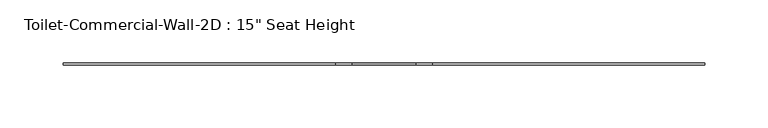
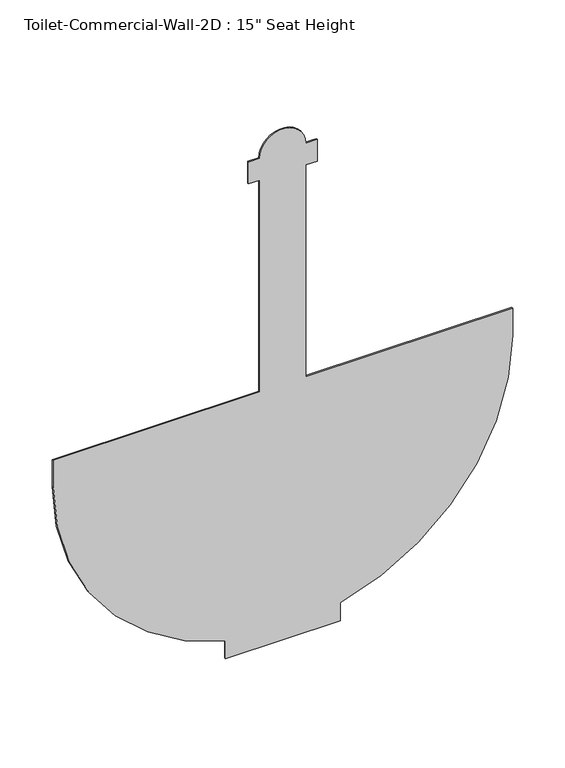
"""IFC4 building model written with IfcOpenShell, lengths in millimetres: flow terminal geometry."""

from ifc_helpers import new_model, si_unit, point, frame, frame_2d, origin, place, context, project, spatial, polyline, circle_curve, trimmed, segment, composite_curve, outline, extrude, source, transform, mapped, element, save


def flow_terminal_cf8aa2b4(model_context):
    return source(origin(), model_context, "Body", "SweptSolid", [
        extrude(outline(composite_curve([segment(trimmed(circle_curve(frame_2d((342.9, 404.9031538)), 254.0), [point((96.9655575, 468.4031538))], [point((342.9, 658.9031538))], False, "CARTESIAN"), True, "CONTINUOUS"), segment(polyline([(342.9, 658.9031538), (374.65, 658.9031538), (374.65, 430.3031538), (622.3, 430.3031538), (622.3, 443.0031538), (647.7, 443.0031538), (647.7, 430.3031538)]), True, "CONTINUOUS"), segment(trimmed(circle_curve(frame_2d((647.7, 404.9031538)), 25.4), [point((647.7, 430.3031538))], [point((647.7, 379.5031538))], False, "CARTESIAN"), True, "CONTINUOUS"), segment(polyline([(647.7, 379.5031538), (647.7, 366.8031538), (622.3, 366.8031538), (622.3, 379.5031538), (374.65, 379.5031538), (374.65, 150.9031538), (342.9, 150.9031538)]), True, "CONTINUOUS"), segment(trimmed(circle_curve(frame_2d((342.9, 404.9031538)), 254.0), [point((342.9, 150.9031538))], [point((96.9655575, 341.4031538))], False, "CARTESIAN"), True, "CONTINUOUS"), segment(polyline([(96.9655575, 341.4031538), (76.2, 341.4031538), (76.2, 468.4031538), (96.9655575, 468.4031538)]), True, "CONTINUOUS")], self_intersect=False)), frame((0.0, 176.2125, 0.0), z_axis=(0.0, 1.0, 0.0), x_axis=(0.0, 0.0, 1.0)), (0.0, 0.0, 1.0), 1.5875),
    ])


if __name__ == "__main__":
    model = new_model("IFC4")
    model_context = context("Model", 3, world=origin())
    ifc_project = project(units=[si_unit("LENGTHUNIT", "METRE", prefix="MILLI")], contexts=[model_context])
    site = spatial("IfcSite", under=ifc_project)
    building = spatial("IfcBuilding", under=site)
    placement = place(None, origin())
    flow_terminal_shape = flow_terminal_cf8aa2b4(model_context)
    element("IfcFlowTerminal", 1, ObjectType="Toilet-Commercial-Wall-2D : 15\" Seat Height", at=placement, inside=building, context=model_context, shape_type="MappedRepresentation", body=[
        mapped(flow_terminal_shape, transform((0.0, 0.0, 0.0), x_axis=(1.0, 0.0, 0.0), y_axis=(0.0, 1.0, 0.0), z_axis=(0.0, 0.0, 1.0))),
    ])
    save(model, "model.ifc")
